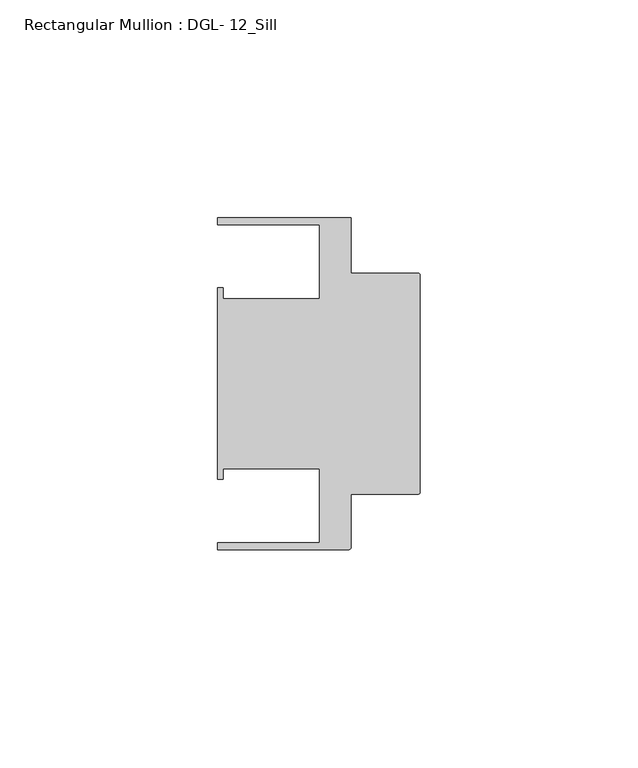
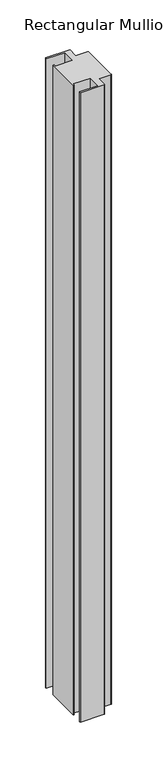
"""IFC4 building model written with IfcOpenShell, lengths in millimetres: member geometry, Rectangular Mullion : DGL- 12_Sill."""

from ifc_helpers import new_model, si_unit, point, frame, frame_2d, origin, place, context, project, spatial, polyline, circle_curve, trimmed, segment, composite_curve, outline, extrude, source, transform, mapped, element, save


def rectangular_mullion_dgl_12_sill_a27dcfd1(model_context):
    return source(origin(), model_context, "Body", "SweptSolid", [
        extrude(outline(composite_curve([segment(trimmed(circle_curve(frame_2d((-0.5953125, 24.8046875)), 0.5953125), [point((-0.5953125, 25.4))], [point((0.0, 24.8046875))], False, "CARTESIAN"), True, "CONTINUOUS"), segment(polyline([(0.0, 24.8046875), (0.0, -24.8046875)]), True, "CONTINUOUS"), segment(trimmed(circle_curve(frame_2d((-0.5953125, -24.8046875)), 0.5953125), [point((0.0, -24.8046875))], [point((-0.5953125, -25.4))], False, "CARTESIAN"), True, "CONTINUOUS"), segment(polyline([(-0.5953125, -25.4), (-15.8750672, -25.4), (-15.8750672, -37.5047035)]), True, "CONTINUOUS"), segment(trimmed(circle_curve(frame_2d((-16.4703797, -37.5047035)), 0.5953125), [point((-15.8750672, -37.5047035))], [point((-16.4703797, -38.100016))], False, "CARTESIAN"), True, "CONTINUOUS"), segment(polyline([(-16.4703797, -38.100016), (-46.54296, -38.100016), (-46.54296, -36.512516), (-23.1202791, -36.512516), (-23.1202791, -19.4824275), (-45.2865266, -19.4824275), (-45.2865266, -21.9710976), (-46.54296, -21.9710976), (-46.54296, 21.9710976), (-45.2865266, 21.9710976), (-45.2865266, 19.4824275), (-23.1202791, 19.4824275), (-23.1202791, 36.512516), (-46.54296, 36.512516), (-46.54296, 38.0996792), (-15.8750672, 38.0996792), (-15.8750672, 25.4), (-0.5953125, 25.4)]), True, "CONTINUOUS")], self_intersect=False)), frame((0.0, 0.0, -839.8353105), z_axis=(0.0, 0.0, 1.0), x_axis=(1.0, 0.0, 0.0)), (0.0, 0.0, 1.0), 839.8353105),
    ])


if __name__ == "__main__":
    model = new_model("IFC4")
    model_context = context("Model", 3, world=origin())
    ifc_project = project(units=[si_unit("LENGTHUNIT", "METRE", prefix="MILLI")], contexts=[model_context])
    site = spatial("IfcSite", under=ifc_project)
    building = spatial("IfcBuilding", under=site)
    placement = place(None, origin())
    rectangular_mullion_dgl_12_sill_shape = rectangular_mullion_dgl_12_sill_a27dcfd1(model_context)
    element("IfcMember", 1, ObjectType="Rectangular Mullion : DGL- 12_Sill", at=placement, inside=building, context=model_context, shape_type="MappedRepresentation", body=[
        mapped(rectangular_mullion_dgl_12_sill_shape, transform((0.0, 0.0, 0.0), x_axis=(1.0, 0.0, 0.0), y_axis=(0.0, 1.0, 0.0), z_axis=(0.0, 0.0, 1.0))),
    ])
    save(model, "model.ifc")
